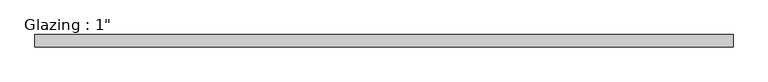
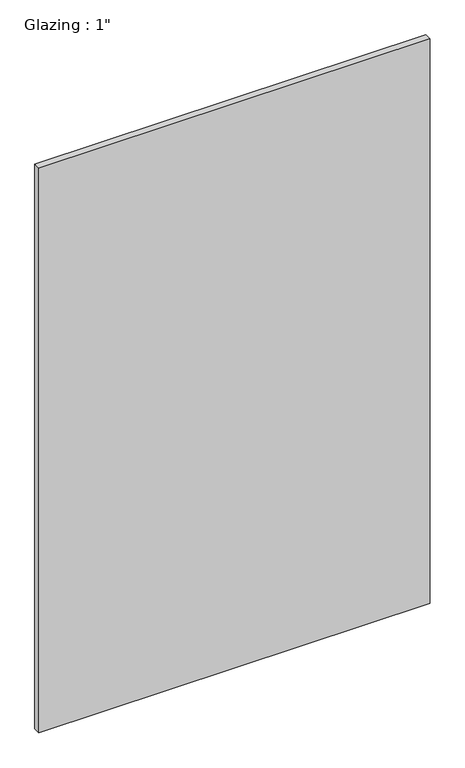
"""IFC4 building model written with IfcOpenShell, lengths in millimetres: plate geometry."""

from ifc_helpers import new_model, si_unit, origin, origin_with_axes, place, context, project, spatial, polyline, outline, extrude, source, transform, mapped, element, save


def plate_53ede959(model_context):
    return source(origin(), model_context, "Body", "SweptSolid", [
        extrude(outline(polyline([(713.8392649, -12.7), (-713.8392649, -12.7), (-713.8392649, 12.7), (713.8392649, 12.7), (713.8392649, -12.7)])), origin_with_axes(), (0.0, 0.0, 1.0), 2177.9425731),
    ])


if __name__ == "__main__":
    model = new_model("IFC4")
    model_context = context("Model", 3, world=origin())
    ifc_project = project(units=[si_unit("LENGTHUNIT", "METRE", prefix="MILLI")], contexts=[model_context])
    site = spatial("IfcSite", under=ifc_project)
    building = spatial("IfcBuilding", under=site)
    placement = place(None, origin())
    plate_shape = plate_53ede959(model_context)
    element("IfcPlate", 1, ObjectType="Glazing : 1\"", at=placement, inside=building, context=model_context, shape_type="MappedRepresentation", body=[
        mapped(plate_shape, transform((0.0, 0.0, 0.0), x_axis=(1.0, 0.0, 0.0), y_axis=(0.0, 1.0, 0.0), z_axis=(0.0, 0.0, 1.0))),
    ])
    save(model, "model.ifc")
